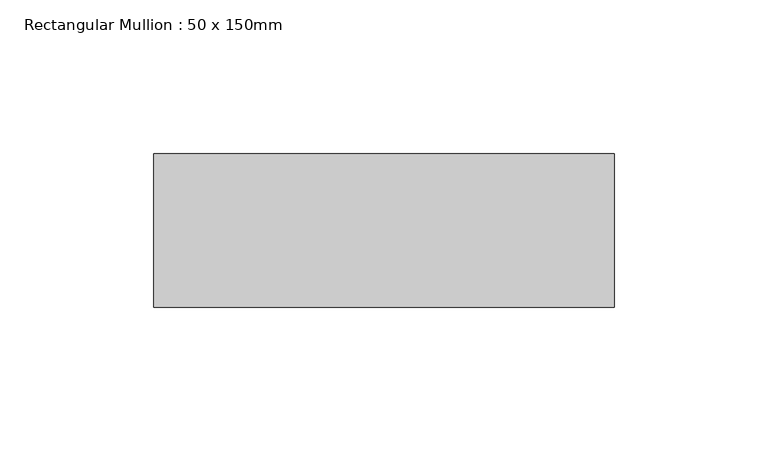
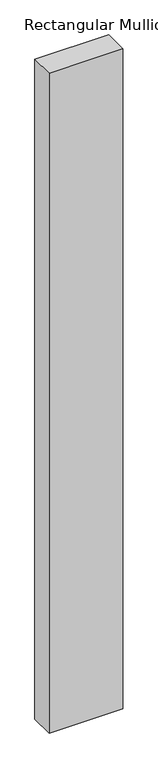
"""IFC4 building model written with IfcOpenShell, lengths in millimetres: member geometry, Rectangular Mullion : 50 x 150mm."""

import ifcopenshell
import ifcopenshell.guid

model = None  # the IFC model being written
_history = None  # IfcOwnerHistory: only IFC2X3 demands one
_inside = {}  # id of a spatial element -> (the spatial element, [elements in it])
_under = {}  # id of a project, library or spatial element -> (it, [spatial elements below it])
_declared = {}  # id of a project -> (the project, [libraries it declares])
_typed = {}  # id of a type object -> (the type object, [elements of that type])
_made_of = {}  # id of a material, layer set ... -> (it, [elements and type objects made of it])


def new_model(schema):
    """Start an empty IFC model of exactly this schema.

    Asked for "IFC4X3", IfcOpenShell would pick the latest addendum, in which some entities
    have other attributes; the version numbers below select the first issue.
    IFC2X3 requires an IfcOwnerHistory on every rooted entity: one is made here for all.
    """
    global model, _history
    if schema == "IFC4X3":
        model = ifcopenshell.file(schema_version=(4, 3, 0, 0))
    else:
        model = ifcopenshell.file(schema=schema)
    _inside.clear()
    _under.clear()
    _declared.clear()
    _typed.clear()
    _made_of.clear()
    _history = None
    if model.schema == "IFC2X3":
        org = make("IfcOrganization", Name="unknown")
        user = make(
            "IfcPersonAndOrganization",
            ThePerson=make("IfcPerson", FamilyName="unknown"),
            TheOrganization=org,
        )
        app = make(
            "IfcApplication",
            ApplicationDeveloper=org,
            Version="unknown",
            ApplicationFullName="unknown",
            ApplicationIdentifier="unknown",
        )
        _history = make(
            "IfcOwnerHistory",
            OwningUser=user,
            OwningApplication=app,
            ChangeAction="ADDED",
            CreationDate=0,
        )
    return model


def make(cls, **values):
    """One entity of the class cls with the attributes given. An attribute that is None is left unset."""
    return model.create_entity(
        cls, **{name: value for name, value in values.items() if value is not None}
    )


def rooted(cls, **values):
    """An entity with a GlobalId (a new one), such as an element, a storey or a relation."""
    return make(cls, GlobalId=ifcopenshell.guid.new(), OwnerHistory=_history, **values)


def si_unit(unit_type, name, prefix=None):
    """IfcSIUnit, for example si_unit("LENGTHUNIT", "METRE", prefix="MILLI")."""
    return make("IfcSIUnit", UnitType=unit_type, Prefix=prefix, Name=name)


def assignment(units):
    """IfcUnitAssignment: the units of a project."""
    return None if units is None else make("IfcUnitAssignment", Units=units)


def point(xyz):
    """IfcCartesianPoint."""
    return None if xyz is None else make("IfcCartesianPoint", Coordinates=xyz)


def direction(xyz):
    """IfcDirection."""
    return None if xyz is None else make("IfcDirection", DirectionRatios=xyz)


def frame(location, z_axis=None, x_axis=None):
    """IfcAxis2Placement3D, a coordinate frame: its origin and axes. An axis left out is left unset."""
    return make(
        "IfcAxis2Placement3D",
        Location=point(location),
        Axis=direction(z_axis),
        RefDirection=direction(x_axis),
    )


def origin():
    """The frame at (0, 0, 0) with its axes left unset."""
    return frame((0.0, 0.0, 0.0))


def place(relative_to, where):
    """IfcLocalPlacement: puts the frame where relative to a parent placement (None: the world)."""
    return make(
        "IfcLocalPlacement", PlacementRelTo=relative_to, RelativePlacement=where
    )


def context(
    kind, dimensions, precision=None, world=None, true_north=None, identifier=None
):
    """IfcGeometricRepresentationContext, for example the 3D "Model" context."""
    return make(
        "IfcGeometricRepresentationContext",
        ContextIdentifier=identifier,
        ContextType=kind,
        CoordinateSpaceDimension=dimensions,
        Precision=precision,
        WorldCoordinateSystem=world,
        TrueNorth=true_north,
    )


def project(units=None, contexts=None):
    """IfcProject with its units and contexts."""
    return rooted(
        "IfcProject",
        Name="project",
        RepresentationContexts=contexts,
        UnitsInContext=assignment(units),
    )


def spatial(cls, under=None, at=None, **own):
    """A site, building, storey or space (cls), placed at a placement, below another one or the project."""
    s = rooted(cls, ObjectPlacement=at, **own)
    if under is not None:
        _under.setdefault(under.id(), (under, []))[1].append(s)
    return s


def polyline(points):
    """IfcPolyline through the points."""
    return make("IfcPolyline", Points=[point(p) for p in points])


def outline(outer, holes=None, kind="AREA"):
    """IfcArbitraryClosedProfileDef: a profile drawn as a closed curve; with holes, ...WithVoids."""
    if holes is None:
        return make("IfcArbitraryClosedProfileDef", ProfileType=kind, OuterCurve=outer)
    return make(
        "IfcArbitraryProfileDefWithVoids",
        ProfileType=kind,
        OuterCurve=outer,
        InnerCurves=holes,
    )


def extrude(swept, where, along, depth):
    """IfcExtrudedAreaSolid: the profile swept, set in the frame where, extruded along a direction by depth."""
    return make(
        "IfcExtrudedAreaSolid",
        SweptArea=swept,
        Position=where,
        ExtrudedDirection=direction(along),
        Depth=depth,
    )


def shape(context_of_items, identifier, shape_type, items):
    """IfcShapeRepresentation: the items that make up one representation, for example the "Body"."""
    return make(
        "IfcShapeRepresentation",
        ContextOfItems=context_of_items,
        RepresentationIdentifier=identifier,
        RepresentationType=shape_type,
        Items=items,
    )


def source(mapping_origin, context_of_items, identifier, shape_type, items):
    """IfcRepresentationMap: a shape defined once, which mapped items show again and again."""
    return make(
        "IfcRepresentationMap",
        MappingOrigin=mapping_origin,
        MappedRepresentation=shape(context_of_items, identifier, shape_type, items),
    )


def transform(
    local_origin,
    x_axis=None,
    y_axis=None,
    z_axis=None,
    scale=None,
    scale2=None,
    scale3=None,
    uniform=True,
):
    """IfcCartesianTransformationOperator3D, or its non-uniform kind. x_axis, y_axis, z_axis: its Axis1, 2, 3."""
    if uniform:
        return make(
            "IfcCartesianTransformationOperator3D",
            Axis1=direction(x_axis),
            Axis2=direction(y_axis),
            LocalOrigin=point(local_origin),
            Scale=scale,
            Axis3=direction(z_axis),
        )
    return make(
        "IfcCartesianTransformationOperator3DnonUniform",
        Axis1=direction(x_axis),
        Axis2=direction(y_axis),
        LocalOrigin=point(local_origin),
        Scale=scale,
        Axis3=direction(z_axis),
        Scale2=scale2,
        Scale3=scale3,
    )


def mapped(mapping_source, mapping_target):
    """IfcMappedItem: shows the shape of a source again, moved by a transform."""
    return make(
        "IfcMappedItem", MappingSource=mapping_source, MappingTarget=mapping_target
    )


def made_of(thing, what):
    """Note that an element or type object is made of a material, layer set ...; save() writes the relation."""
    if what is not None:
        _made_of.setdefault(what.id(), (what, []))[1].append(thing)
    return thing


def element(
    cls,
    number,
    at=None,
    inside=None,
    cuts=None,
    type_object=None,
    material=None,
    context=None,
    identifier="Body",
    shape_type=None,
    held_by="IfcProductDefinitionShape",
    body=None,
    shapes=None,
    **own,
):
    """One element of the class cls, such as IfcWall. Its Tag is "e" and its number.

    at: its placement. inside: the storey or other place that contains it. cuts: it is an
    opening in that element (IfcRelVoidsElement). A single representation is given by context,
    identifier, shape_type and body (its items); several are given by shapes. held_by: the class
    of the entity that holds the representations. save() writes the other relations.
    """
    e = rooted(cls, Tag="e%d" % number, ObjectPlacement=at, **own)
    if body is not None:
        shapes = [shape(context, identifier, shape_type, body)]
    if shapes is not None:
        e.Representation = make(held_by, Representations=shapes)
    if inside is not None:
        _inside.setdefault(inside.id(), (inside, []))[1].append(e)
    if cuts is not None:
        rooted(
            "IfcRelVoidsElement", RelatingBuildingElement=cuts, RelatedOpeningElement=e
        )
    if type_object is not None:
        _typed.setdefault(type_object.id(), (type_object, []))[1].append(e)
    return made_of(e, material)


def aggregate(whole, parts):
    """IfcRelAggregates: a whole, such as a stair, and the parts it consists of."""
    return rooted("IfcRelAggregates", RelatingObject=whole, RelatedObjects=parts)


def save(model, path):
    """Write the relations noted so far, then the file.

    IfcRelAggregates (storeys below a building ...), IfcRelContainedInSpatialStructure (elements
    in a storey), IfcRelDefinesByType, IfcRelAssociatesMaterial and IfcRelDeclares: one each for
    every whole, place, type object, material and project.
    """
    for whole, parts in _under.values():
        aggregate(whole, parts)
    for where, things in _inside.values():
        rooted(
            "IfcRelContainedInSpatialStructure",
            RelatedElements=things,
            RelatingStructure=where,
        )
    for kind, things in _typed.values():
        rooted("IfcRelDefinesByType", RelatedObjects=things, RelatingType=kind)
    for what, things in _made_of.values():
        rooted("IfcRelAssociatesMaterial", RelatedObjects=things, RelatingMaterial=what)
    for by, libraries in _declared.values():
        rooted("IfcRelDeclares", RelatingContext=by, RelatedDefinitions=libraries)
    model.write(path)


def rectangular_mullion_50_x_150mm_a7a04481(model_context):
    return source(origin(), model_context, "Body", "SweptSolid", [
        extrude(outline(polyline([(150.0, 50.0), (150.0, 0.0), (0.0, 0.0), (0.0, 50.0), (150.0, 50.0)])), frame((0.0, 0.0, -1420.0), z_axis=(0.0, 0.0, 1.0), x_axis=(1.0, 0.0, 0.0)), (0.0, 0.0, 1.0), 1420.0),
    ])


if __name__ == "__main__":
    model = new_model("IFC4")
    model_context = context("Model", 3, world=origin())
    ifc_project = project(units=[si_unit("LENGTHUNIT", "METRE", prefix="MILLI")], contexts=[model_context])
    site = spatial("IfcSite", under=ifc_project)
    building = spatial("IfcBuilding", under=site)
    placement = place(None, origin())
    rectangular_mullion_50_x_150mm_shape = rectangular_mullion_50_x_150mm_a7a04481(model_context)
    element("IfcMember", 1, ObjectType="Rectangular Mullion : 50 x 150mm", at=placement, inside=building, context=model_context, shape_type="MappedRepresentation", body=[
        mapped(rectangular_mullion_50_x_150mm_shape, transform((0.0, 0.0, 0.0), x_axis=(1.0, 0.0, 0.0), y_axis=(0.0, 1.0, 0.0), z_axis=(0.0, 0.0, 1.0))),
    ])
    save(model, "model.ifc")
